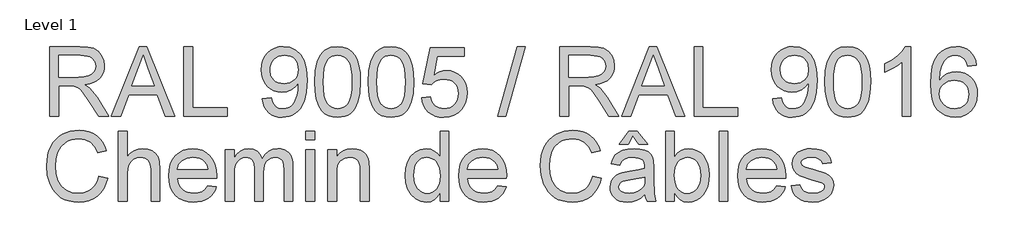
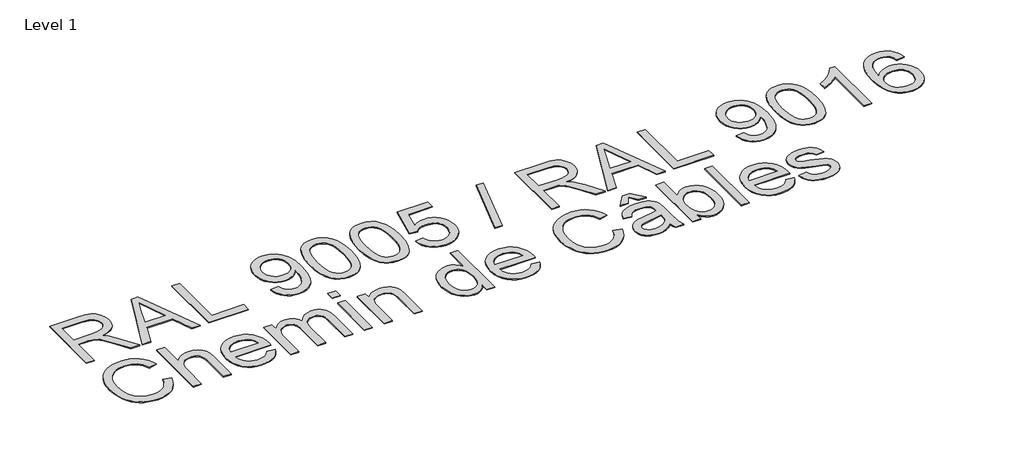
# One storey, part 12 of 12: 1 proxy.
"""IFC4 building model written with IfcOpenShell, lengths in millimetres."""

from ifc_helpers import new_model, si_unit, origin, origin_with_axes, place, context, project, spatial, polyline, outline, extrude, element, save

model = new_model("IFC4")

# Units and contexts
model_context = context("Model", 3, world=origin())
ifc_project = project(units=[si_unit("LENGTHUNIT", "METRE", prefix="MILLI")], contexts=[model_context])

# Site, building, storey
site = spatial("IfcSite", under=ifc_project)
building = spatial("IfcBuilding", under=site)
storey = spatial("IfcBuildingStorey", under=building, Name="Level 1", Elevation=0.0)

# Proxy
placement = place(None, origin())
element("IfcBuildingElementProxy", 1, Name="400mm", ObjectType="400mm", at=placement, inside=storey, context=model_context, shape_type="SweptSolid", body=[
    extrude(outline(polyline([(11111.0571678, -39850.9331128), (11111.0571678, -39449.1078722), (11284.2069602, -39449.1078722), (11330.7440326, -39451.8179363), (11364.6014389, -39459.9481284), (11389.3476344, -39474.9577138), (11408.5510746, -39498.3059577), (11420.8751214, -39527.2582708), (11424.983137, -39559.0800633), (11423.2816828, -39579.7182433), (11418.1773201, -39598.664166), (11409.670049, -39615.9178316), (11397.7598694, -39631.47924), (11382.2934972, -39644.8517505), (11363.1176482, -39655.5387225), (11340.2323224, -39663.5401559), (11313.6375198, -39668.8560507), (11342.1851626, -39690.3403592), (11382.8974368, -39742.0400423), (11449.9010108, -39850.9331128), (11391.5304009, -39850.9331128), (11339.2421067, -39767.6446291), (11301.4728885, -39712.5113808), (11287.432059, -39696.4349376), (11274.9363339, -39686.4653355), (11251.0485297, -39676.9004037), (11221.9122757, -39675.1345701), (11161.2853229, -39675.1345701), (11161.2853229, -39850.9331128), (11111.0571678, -39850.9331128)]), holes=[polyline([(11161.2853229, -39624.906415), (11273.7100606, -39624.906415), (11305.9978371, -39623.1283187), (11331.0506009, -39617.7940298), (11349.9106845, -39608.547929), (11363.6204202, -39595.034397), (11371.9713415, -39578.6881737), (11374.754982, -39560.9439988), (11369.4452185, -39536.4430579), (11353.5159281, -39516.7000575), (11341.3543625, -39509.1032943), (11326.1087195, -39503.6770349), (11286.3652012, -39499.3360273), (11161.2853229, -39499.3360273), (11161.2853229, -39624.906415)])]), origin_with_axes(), (0.0, 0.0, 1.0), 5.0),
    extrude(outline(polyline([(11466.0878186, -39850.9331128), (11626.4843685, -39449.1078722), (11669.2567818, -39449.1078722), (11829.6533317, -39850.9331128), (11776.5802226, -39850.9331128), (11730.5704477, -39725.3627252), (11565.0726008, -39725.3627252), (11519.1609278, -39850.9331128), (11466.0878186, -39850.9331128)]), holes=[polyline([(11583.5157515, -39675.1345701), (11712.2253989, -39675.1345701), (11676.0258105, -39576.3459916), (11647.8705752, -39499.3360273), (11622.8545995, -39567.7130275), (11583.5157515, -39675.1345701)])]), origin_with_axes(), (0.0, 0.0, 1.0), 5.0),
    extrude(outline(polyline([(11883.3150521, -39850.9331128), (11883.3150521, -39449.1078722), (11933.5432072, -39449.1078722), (11933.5432072, -39800.7049578), (12134.4558275, -39800.7049578), (12134.4558275, -39850.9331128), (11883.3150521, -39850.9331128)])), origin_with_axes(), (0.0, 0.0, 1.0), 5.0),
    extrude(outline(polyline([(12335.3684478, -39750.4768027), (12385.5966028, -39744.1982833), (12394.1805161, -39772.7091379), (12408.1600319, -39792.1210445), (12427.1917938, -39803.267869), (12450.9324452, -39806.9834772), (12472.2328127, -39804.5922442), (12491.5956684, -39797.4185453), (12507.6843743, -39786.2471954), (12519.1622926, -39771.8630093), (12535.594355, -39728.2076792), (12541.0390085, -39699.8071892), (12542.853893, -39669.9351712), (12542.5595874, -39660.1249847), (12525.1587691, -39681.3640385), (12502.3868736, -39698.1885084), (12475.8871072, -39709.1513919), (12447.3026762, -39712.8056864), (12423.4424631, -39710.5738689), (12401.5013678, -39703.8784166), (12381.4793902, -39692.7193294), (12363.3765303, -39677.0966074), (12348.376142, -39657.8257222), (12337.6615789, -39635.7221457), (12331.232841, -39610.7858778), (12329.0899284, -39583.0169185), (12331.3370742, -39554.3221229), (12338.0785118, -39528.5703832), (12349.3142411, -39505.7616995), (12365.044262, -39485.8960718), (12384.1587974, -39469.8012345), (12405.5480697, -39458.3049221), (12429.212079, -39451.4071347), (12455.1508254, -39449.1078722), (12492.6134752, -39454.356322), (12526.7161362, -39470.1016714), (12555.2392535, -39495.5591055), (12575.9632726, -39529.9438093), (12588.581625, -39577.4741631), (12592.7877425, -39642.368547), (12588.5938878, -39711.1747429), (12576.0123235, -39764.3582166), (12555.1534144, -39804.3224641), (12541.6613422, -39820.2486888), (12526.127525, -39833.4709808), (12508.8646624, -39843.8575158), (12490.1854541, -39851.2764694), (12448.5780004, -39857.2116322), (12426.0207027, -39855.4611271), (12405.6339088, -39850.2096116), (12387.4176187, -39841.4570858), (12371.3718324, -39829.2035497), (12357.90122, -39813.780097), (12347.4104517, -39795.5178216), (12339.8995277, -39774.4167235), (12335.3684478, -39750.4768027)]), holes=[polyline([(12542.5595874, -39581.8396961), (12537.1394594, -39547.7983488), (12530.3642993, -39533.7207311), (12520.8790752, -39521.6051508), (12509.1497709, -39511.8624093), (12495.6423703, -39504.9033082), (12463.2932802, -39499.3360273), (12445.6839954, -39500.8351464), (12429.7424423, -39505.3325038), (12415.4686208, -39512.8280995), (12402.8625311, -39523.3219334), (12392.5618353, -39536.2008689), (12385.2041954, -39550.8517694), (12380.7896114, -39567.2746348), (12379.3180835, -39585.4694651), (12384.8853643, -39616.5064428), (12391.8444654, -39629.6245016), (12401.5872069, -39641.1422737), (12413.7089186, -39650.5201989), (12427.8049304, -39657.2187169), (12461.9198541, -39662.5775313), (12494.0114268, -39657.2187169), (12519.8490056, -39641.1422737), (12529.7848852, -39629.397641), (12536.881942, -39615.5990005), (12542.5595874, -39581.8396961)])]), origin_with_axes(), (0.0, 0.0, 1.0), 5.0),
    extrude(outline(polyline([(12636.7373782, -39653.2578541), (12640.4284609, -39588.9398186), (12651.5017089, -39537.6448057), (12669.8467578, -39498.5880006), (12681.7048208, -39483.3546203), (12695.3532428, -39470.9845882), (12710.8380091, -39461.413525), (12728.2051049, -39454.5770512), (12768.5862853, -39449.1078722), (12799.5374238, -39452.3452338), (12827.2512008, -39462.0573185), (12850.4277665, -39477.8639815), (12867.7672712, -39499.3850783), (12880.8638702, -39526.4366676), (12891.3117189, -39558.8348087), (12898.154324, -39599.9762785), (12900.4351924, -39653.2578541), (12896.7808979, -39717.2080076), (12885.8180144, -39768.3803931), (12867.5833302, -39807.4739865), (12855.7528584, -39822.753352), (12842.1136334, -39835.1877634), (12826.610473, -39844.823206), (12809.1881948, -39851.705665), (12768.5862853, -39857.2116322), (12740.9215592, -39854.8203993), (12716.3960929, -39847.6467004), (12695.0098862, -39835.6905355), (12676.7629393, -39818.9519047), (12659.2517563, -39788.6936106), (12646.7437685, -39750.9918375), (12639.2389758, -39705.8465853), (12636.7373782, -39653.2578541)]), holes=[polyline([(12686.9655333, -39653.1597522), (12688.4370613, -39696.8242794), (12692.8516452, -39732.1685421), (12700.2092851, -39759.1925403), (12710.509981, -39777.8962741), (12722.9689179, -39790.6219254), (12736.8012809, -39799.7116764), (12752.00707, -39805.165527), (12768.5862853, -39806.9834772), (12785.1655005, -39805.1593956), (12800.3712897, -39799.6871509), (12814.2036527, -39790.5667431), (12826.6625896, -39777.7981722), (12836.9632855, -39759.0637816), (12844.3209254, -39732.0459147), (12848.7355093, -39696.7445716), (12850.2070373, -39653.1597522), (12848.7845602, -39610.6509877), (12844.5171291, -39575.9290587), (12837.4047438, -39548.9939653), (12827.4474045, -39529.8457075), (12815.1969341, -39516.4977224), (12801.2051555, -39506.9634474), (12785.4720689, -39501.2428823), (12767.9976741, -39499.3360273), (12751.504298, -39501.0160218), (12736.5560262, -39506.0560051), (12723.1528589, -39514.4559773), (12711.2947959, -39526.2159384), (12700.6507435, -39547.0625848), (12693.0478489, -39575.1687693), (12688.4861122, -39610.5344917), (12686.9655333, -39653.1597522)])]), origin_with_axes(), (0.0, 0.0, 1.0), 5.0),
    extrude(outline(polyline([(12944.384828, -39653.2578541), (12948.0759107, -39588.9398186), (12959.1491588, -39537.6448057), (12977.4942076, -39498.5880006), (12989.3522706, -39483.3546203), (13003.0006926, -39470.9845882), (13018.4854589, -39461.413525), (13035.8525548, -39454.5770512), (13076.2337351, -39449.1078722), (13107.1848736, -39452.3452338), (13134.8986506, -39462.0573185), (13158.0752163, -39477.8639815), (13175.414721, -39499.3850783), (13188.51132, -39526.4366676), (13198.9591687, -39558.8348087), (13205.8017738, -39599.9762785), (13208.0826422, -39653.2578541), (13204.4283477, -39717.2080076), (13193.4654642, -39768.3803931), (13175.23078, -39807.4739865), (13163.4003082, -39822.753352), (13149.7610832, -39835.1877634), (13134.2579228, -39844.823206), (13116.8356446, -39851.705665), (13076.2337351, -39857.2116322), (13048.5690091, -39854.8203993), (13024.0435427, -39847.6467004), (13002.6573361, -39835.6905355), (12984.4103891, -39818.9519047), (12966.8992061, -39788.6936106), (12954.3912183, -39750.9918375), (12946.8864256, -39705.8465853), (12944.384828, -39653.2578541)]), holes=[polyline([(12994.6129831, -39653.1597522), (12996.0845111, -39696.8242794), (13000.499095, -39732.1685421), (13007.8567349, -39759.1925403), (13018.1574308, -39777.8962741), (13030.6163677, -39790.6219254), (13044.4487307, -39799.7116764), (13059.6545199, -39805.165527), (13076.2337351, -39806.9834772), (13092.8129504, -39805.1593956), (13108.0187395, -39799.6871509), (13121.8511025, -39790.5667431), (13134.3100394, -39777.7981722), (13144.6107353, -39759.0637816), (13151.9683752, -39732.0459147), (13156.3829591, -39696.7445716), (13157.8544871, -39653.1597522), (13156.4320101, -39610.6509877), (13152.1645789, -39575.9290587), (13145.0521937, -39548.9939653), (13135.0948543, -39529.8457075), (13122.8443839, -39516.4977224), (13108.8526054, -39506.9634474), (13093.1195187, -39501.2428823), (13075.6451239, -39499.3360273), (13059.1517478, -39501.0160218), (13044.2034761, -39506.0560051), (13030.8003087, -39514.4559773), (13018.9422457, -39526.2159384), (13008.2981933, -39547.0625848), (13000.6952988, -39575.1687693), (12996.133562, -39610.5344917), (12994.6129831, -39653.1597522)])]), origin_with_axes(), (0.0, 0.0, 1.0), 5.0),
    extrude(outline(polyline([(13252.0322779, -39744.1982833), (13302.260433, -39737.9197639), (13311.4820083, -39768.0738248), (13327.5707142, -39789.6684979), (13350.4529743, -39802.6547323), (13380.0552122, -39806.9834772), (13399.1850759, -39805.4782267), (13416.0585968, -39800.9624752), (13430.6757747, -39793.4362227), (13443.0366098, -39782.8994692), (13452.8651904, -39769.8733809), (13459.8856052, -39754.8791239), (13465.5019369, -39718.9861039), (13460.2412244, -39685.1900113), (13453.6653337, -39671.2718091), (13444.4590868, -39659.3401698), (13432.5918268, -39649.7691065), (13418.0328968, -39642.9326328), (13380.8400271, -39637.4634538), (13356.4739763, -39639.6462203), (13336.7432386, -39646.1945198), (13320.9856265, -39656.2254355), (13308.5389523, -39668.8560507), (13258.3107973, -39662.5775313), (13302.260433, -39455.3863916), (13496.8945339, -39455.3863916), (13496.8945339, -39505.6145467), (13342.8746052, -39505.6145467), (13321.3902967, -39616.2734509), (13339.1160775, -39603.5692593), (13357.271054, -39594.4948367), (13375.8552261, -39589.0501832), (13394.8685939, -39587.2352987), (13419.3296809, -39589.4855102), (13441.7980737, -39596.2361448), (13462.2737724, -39607.4872025), (13480.756777, -39623.2386833), (13496.0576023, -39642.5279626), (13506.9867633, -39664.3924158), (13513.5442598, -39688.832043), (13515.730092, -39715.8468442), (13513.7619233, -39741.868364), (13507.8574173, -39766.0749993), (13498.016574, -39788.4667501), (13484.2393932, -39809.0436163), (13463.3682214, -39830.1171233), (13439.0144333, -39845.1696282), (13411.178029, -39854.2011312), (13379.8590085, -39857.2116322), (13353.9386562, -39855.2771861), (13330.5260329, -39849.4738476), (13309.6211385, -39839.8016168), (13291.2239731, -39826.2604937), (13275.9170164, -39809.5249286), (13264.2827483, -39790.2693718), (13256.3211688, -39768.4938234), (13252.0322779, -39744.1982833)])), origin_with_axes(), (0.0, 0.0, 1.0), 5.0),
    extrude(outline(polyline([(13691.5286348, -39850.9331128), (13804.5419837, -39449.1078722), (13849.8650455, -39449.1078722), (13736.8516966, -39850.9331128), (13691.5286348, -39850.9331128)])), origin_with_axes(), (0.0, 0.0, 1.0), 5.0),
    extrude(outline(polyline([(14049.4042397, -39850.9331128), (14049.4042397, -39449.1078722), (14222.5540321, -39449.1078722), (14269.0911045, -39451.8179363), (14302.9485108, -39459.9481284), (14327.6947063, -39474.9577138), (14346.8981465, -39498.3059577), (14359.2221933, -39527.2582708), (14363.3302089, -39559.0800633), (14361.6287547, -39579.7182433), (14356.524392, -39598.664166), (14348.0171209, -39615.9178316), (14336.1069413, -39631.47924), (14320.640569, -39644.8517505), (14301.46472, -39655.5387225), (14278.5793943, -39663.5401559), (14251.9845917, -39668.8560507), (14280.5322345, -39690.3403592), (14321.2445087, -39742.0400423), (14388.2480827, -39850.9331128), (14329.8774728, -39850.9331128), (14277.5891786, -39767.6446291), (14239.8199604, -39712.5113808), (14225.7791309, -39696.4349376), (14213.2834058, -39686.4653355), (14189.3956016, -39676.9004037), (14160.2593476, -39675.1345701), (14099.6323948, -39675.1345701), (14099.6323948, -39850.9331128), (14049.4042397, -39850.9331128)]), holes=[polyline([(14099.6323948, -39624.906415), (14212.0571325, -39624.906415), (14244.3449089, -39623.1283187), (14269.3976728, -39617.7940298), (14288.2577564, -39608.547929), (14301.9674921, -39595.034397), (14310.3184134, -39578.6881737), (14313.1020538, -39560.9439988), (14307.7922904, -39536.4430579), (14291.863, -39516.7000575), (14279.7014344, -39509.1032943), (14264.4557913, -39503.6770349), (14224.7122731, -39499.3360273), (14099.6323948, -39499.3360273), (14099.6323948, -39624.906415)])]), origin_with_axes(), (0.0, 0.0, 1.0), 5.0),
    extrude(outline(polyline([(14404.4348905, -39850.9331128), (14564.8314404, -39449.1078722), (14607.6038537, -39449.1078722), (14768.0004036, -39850.9331128), (14714.9272944, -39850.9331128), (14668.9175196, -39725.3627252), (14503.4196727, -39725.3627252), (14457.5079997, -39850.9331128), (14404.4348905, -39850.9331128)]), holes=[polyline([(14521.8628234, -39675.1345701), (14650.5724707, -39675.1345701), (14614.3728824, -39576.3459916), (14586.217647, -39499.3360273), (14561.2016714, -39567.7130275), (14521.8628234, -39675.1345701)])]), origin_with_axes(), (0.0, 0.0, 1.0), 5.0),
    extrude(outline(polyline([(14821.662124, -39850.9331128), (14821.662124, -39449.1078722), (14871.890279, -39449.1078722), (14871.890279, -39800.7049578), (15072.8028993, -39800.7049578), (15072.8028993, -39850.9331128), (14821.662124, -39850.9331128)])), origin_with_axes(), (0.0, 0.0, 1.0), 5.0),
    extrude(outline(polyline([(15273.7155196, -39750.4768027), (15323.9436747, -39744.1982833), (15332.5275879, -39772.7091379), (15346.5071037, -39792.1210445), (15365.5388656, -39803.267869), (15389.2795171, -39806.9834772), (15410.5798846, -39804.5922442), (15429.9427403, -39797.4185453), (15446.0314462, -39786.2471954), (15457.5093644, -39771.8630093), (15473.9414269, -39728.2076792), (15479.3860804, -39699.8071892), (15481.2009649, -39669.9351712), (15480.9066593, -39660.1249847), (15463.5058409, -39681.3640385), (15440.7339454, -39698.1885084), (15414.2341791, -39709.1513919), (15385.649748, -39712.8056864), (15361.789535, -39710.5738689), (15339.8484396, -39703.8784166), (15319.826462, -39692.7193294), (15301.7236022, -39677.0966074), (15286.7232138, -39657.8257222), (15276.0086507, -39635.7221457), (15269.5799129, -39610.7858778), (15267.4370003, -39583.0169185), (15269.6841461, -39554.3221229), (15276.4255837, -39528.5703832), (15287.6613129, -39505.7616995), (15303.3913339, -39485.8960718), (15322.5058692, -39469.8012345), (15343.8951416, -39458.3049221), (15367.5591509, -39451.4071347), (15393.4978973, -39449.1078722), (15430.9605471, -39454.356322), (15465.0632081, -39470.1016714), (15493.5863254, -39495.5591055), (15514.3103445, -39529.9438093), (15526.9286969, -39577.4741631), (15531.1348144, -39642.368547), (15526.9409596, -39711.1747429), (15514.3593954, -39764.3582166), (15493.5004863, -39804.3224641), (15480.0084141, -39820.2486888), (15464.4745969, -39833.4709808), (15447.2117342, -39843.8575158), (15428.5325259, -39851.2764694), (15386.9250723, -39857.2116322), (15364.3677746, -39855.4611271), (15343.9809807, -39850.2096116), (15325.7646906, -39841.4570858), (15309.7189042, -39829.2035497), (15296.2482918, -39813.780097), (15285.7575236, -39795.5178216), (15278.2465995, -39774.4167235), (15273.7155196, -39750.4768027)]), holes=[polyline([(15480.9066593, -39581.8396961), (15475.4865313, -39547.7983488), (15468.7113712, -39533.7207311), (15459.2261471, -39521.6051508), (15447.4968428, -39511.8624093), (15433.9894422, -39504.9033082), (15401.6403521, -39499.3360273), (15384.0310673, -39500.8351464), (15368.0895141, -39505.3325038), (15353.8156927, -39512.8280995), (15341.209603, -39523.3219334), (15330.9089072, -39536.2008689), (15323.5512672, -39550.8517694), (15319.1366833, -39567.2746348), (15317.6651553, -39585.4694651), (15323.2324362, -39616.5064428), (15330.1915373, -39629.6245016), (15339.9342788, -39641.1422737), (15352.0559905, -39650.5201989), (15366.1520023, -39657.2187169), (15400.266926, -39662.5775313), (15432.3584987, -39657.2187169), (15458.1960775, -39641.1422737), (15468.131957, -39629.397641), (15475.2290139, -39615.5990005), (15480.9066593, -39581.8396961)])]), origin_with_axes(), (0.0, 0.0, 1.0), 5.0),
    extrude(outline(polyline([(15575.0844501, -39653.2578541), (15578.7755328, -39588.9398186), (15589.8487808, -39537.6448057), (15608.1938297, -39498.5880006), (15620.0518926, -39483.3546203), (15633.7003146, -39470.9845882), (15649.185081, -39461.413525), (15666.5521768, -39454.5770512), (15706.9333572, -39449.1078722), (15737.8844957, -39452.3452338), (15765.5982727, -39462.0573185), (15788.7748383, -39477.8639815), (15806.1143431, -39499.3850783), (15819.2109421, -39526.4366676), (15829.6587907, -39558.8348087), (15836.5013959, -39599.9762785), (15838.7822642, -39653.2578541), (15835.1279697, -39717.2080076), (15824.1650863, -39768.3803931), (15805.9304021, -39807.4739865), (15794.0999302, -39822.753352), (15780.4607053, -39835.1877634), (15764.9575448, -39844.823206), (15747.5352667, -39851.705665), (15706.9333572, -39857.2116322), (15679.2686311, -39854.8203993), (15654.7431648, -39847.6467004), (15633.3569581, -39835.6905355), (15615.1100112, -39818.9519047), (15597.5988282, -39788.6936106), (15585.0908404, -39750.9918375), (15577.5860477, -39705.8465853), (15575.0844501, -39653.2578541)]), holes=[polyline([(15625.3126052, -39653.1597522), (15626.7841331, -39696.8242794), (15631.1987171, -39732.1685421), (15638.556357, -39759.1925403), (15648.8570529, -39777.8962741), (15661.3159898, -39790.6219254), (15675.1483528, -39799.7116764), (15690.3541419, -39805.165527), (15706.9333572, -39806.9834772), (15723.5125724, -39805.1593956), (15738.7183615, -39799.6871509), (15752.5507246, -39790.5667431), (15765.0096615, -39777.7981722), (15775.3103573, -39759.0637816), (15782.6679972, -39732.0459147), (15787.0825812, -39696.7445716), (15788.5541092, -39653.1597522), (15787.1316321, -39610.6509877), (15782.864201, -39575.9290587), (15775.7518157, -39548.9939653), (15765.7944764, -39529.8457075), (15753.5440059, -39516.4977224), (15739.5522274, -39506.9634474), (15723.8191407, -39501.2428823), (15706.344746, -39499.3360273), (15689.8513698, -39501.0160218), (15674.9030981, -39506.0560051), (15661.4999308, -39514.4559773), (15649.6418678, -39526.2159384), (15638.9978154, -39547.0625848), (15631.3949208, -39575.1687693), (15626.8331841, -39610.5344917), (15625.3126052, -39653.1597522)])]), origin_with_axes(), (0.0, 0.0, 1.0), 5.0),
    extrude(outline(polyline([(16071.0874814, -39850.9331128), (16020.8593264, -39850.9331128), (16020.8593264, -39537.7919585), (15999.8900526, -39554.7513185), (15973.2799217, -39571.686153), (15920.4030162, -39597.0454852), (15920.4030162, -39549.5641824), (15959.8522288, -39528.1043993), (15994.0284662, -39502.5733889), (16020.969691, -39475.4236976), (16038.7138659, -39449.1078722), (16071.0874814, -39449.1078722), (16071.0874814, -39850.9331128)])), origin_with_axes(), (0.0, 0.0, 1.0), 5.0),
    extrude(outline(polyline([(16447.7986445, -39555.8427018), (16397.5704894, -39562.1212212), (16389.4770855, -39537.2278728), (16378.5387276, -39520.2317246), (16355.7545693, -39504.5599516), (16328.2124706, -39499.3360273), (16304.8642267, -39502.3771851), (16282.8894088, -39511.5006586), (16264.0170625, -39530.7163615), (16248.6028069, -39557.167077), (16238.1917464, -39594.5806759), (16234.3289854, -39646.6850291), (16254.476656, -39623.1773696), (16278.6219777, -39606.6104171), (16305.4160496, -39596.7879678), (16333.5099713, -39593.5138181), (16357.6430302, -39595.7517669), (16379.9121537, -39602.4656133), (16400.3173417, -39613.6553573), (16418.8585942, -39629.3209989), (16434.2667185, -39648.5305705), (16445.2725215, -39670.3521041), (16451.8760033, -39694.7856), (16454.0771639, -39721.831058), (16449.9323601, -39757.7976544), (16437.4979486, -39791.1400259), (16417.8039992, -39819.4178886), (16391.8805812, -39840.1909586), (16360.9049172, -39852.9564638), (16326.0542296, -39857.2116322), (16296.1117008, -39854.3912036), (16269.0693085, -39845.9299177), (16244.9270526, -39831.8277746), (16223.684933, -39812.0847742), (16206.3668881, -39785.8670506), (16193.996856, -39752.3407381), (16186.5748368, -39711.5058367), (16184.1008304, -39663.3623462), (16186.8476826, -39609.3879262), (16195.0882393, -39563.322969), (16208.8225004, -39525.1674747), (16228.0504661, -39494.9214434), (16248.8909811, -39474.878006), (16273.0546968, -39460.561265), (16300.5416132, -39451.9712204), (16331.3517303, -39449.1078722), (16354.4853764, -39450.8798372), (16375.4239933, -39456.195732), (16394.167581, -39465.0555567), (16410.7161394, -39477.4593113), (16424.6220788, -39492.9900629), (16435.4378095, -39511.2308785), (16443.1633314, -39532.1817581), (16447.7986445, -39555.8427018)]), holes=[polyline([(16234.3289854, -39721.0462431), (16237.2352532, -39743.3031038), (16245.9540565, -39764.5544204), (16259.4921139, -39782.8258928), (16276.8561441, -39796.143221), (16297.8131551, -39804.2734131), (16322.130155, -39806.9834772), (16355.2763227, -39801.3671454), (16369.1914592, -39794.3467306), (16381.3346307, -39784.51815), (16391.1846711, -39772.2799423), (16398.2204143, -39758.0306463), (16403.8490088, -39723.4987897), (16398.2939907, -39690.3526219), (16391.350218, -39676.7317911), (16381.6289363, -39665.0791289), (16369.4489766, -39655.7441233), (16355.1291699, -39649.0762621), (16320.0700158, -39643.7419732), (16286.972899, -39649.0762621), (16259.2959102, -39665.0791289), (16248.3728806, -39676.5785069), (16240.5707166, -39689.7394853), (16235.8894182, -39704.562064), (16234.3289854, -39721.0462431)])]), origin_with_axes(), (0.0, 0.0, 1.0), 5.0),
    extrude(outline(polyline([(11393.5905401, -40195.9960682), (11443.8186952, -40208.9455145), (11433.8797499, -40240.1817615), (11420.6421295, -40267.4755399), (11404.1058338, -40290.8268495), (11384.2708629, -40310.2356905), (11361.5848065, -40325.4935962), (11336.4952545, -40336.3921003), (11309.0022067, -40342.9312028), (11279.1056632, -40345.1109036), (11248.4764214, -40343.461566), (11220.8454179, -40338.5135532), (11196.2126526, -40330.2668651), (11174.5781256, -40318.7215018), (11155.6444656, -40304.0491416), (11139.1143013, -40286.4214626), (11124.9876327, -40265.838465), (11113.2644598, -40242.3001487), (11097.4823222, -40190.4287874), (11092.2216097, -40134.8786061), (11098.1690352, -40076.287267), (11105.6033172, -40049.9898357), (11116.011312, -40025.6912299), (11129.1600277, -40003.7930542), (11144.8164722, -39984.6969129), (11162.9806457, -39968.4028062), (11183.6525482, -39954.9107341), (11206.1301381, -39944.331061), (11229.711374, -39936.7741517), (11280.1847837, -39930.7286242), (11308.9133019, -39932.6845302), (11335.2567184, -39938.552248), (11359.2150333, -39948.3317777), (11380.7882467, -39962.0231193), (11399.6207391, -39979.2645221), (11415.3568915, -39999.6942356), (11427.9967037, -40023.3122597), (11437.5401758, -40050.1185944), (11387.3120207, -40062.087022), (11369.8989396, -40025.458238), (11346.1092373, -40000.3318977), (11315.6486081, -39985.8005589), (11278.2227464, -39980.9567793), (11235.0824511, -39986.3278564), (11216.4001771, -39993.0417029), (11199.6431523, -40002.4410878), (11172.7509784, -40027.6042163), (11155.2520582, -40060.1249847), (11145.6503381, -40096.8886587), (11142.4497647, -40134.7805042), (11146.2389493, -40181.1826866), (11157.6065029, -40221.3063495), (11176.9816213, -40253.6186514), (11204.7935002, -40276.5867506), (11238.1358717, -40290.3087491), (11274.1024681, -40294.8827485), (11295.9393302, -40293.3253814), (11316.0287528, -40288.6532801), (11334.3707359, -40280.8664445), (11350.9652796, -40269.9648747), (11365.4199763, -40255.9976216), (11377.3424187, -40239.0137362), (11386.7326066, -40219.0132184), (11393.5905401, -40195.9960682)])), origin_with_axes(), (0.0, 0.0, 1.0), 5.0),
    extrude(outline(polyline([(11506.603889, -40338.8323842), (11506.603889, -39937.0071436), (11556.8320441, -39937.0071436), (11556.8320441, -40084.7485529), (11575.2813262, -40064.061322), (11595.9992139, -40049.2847286), (11618.9857072, -40040.4187725), (11644.2408062, -40037.4634538), (11674.578808, -40040.6885526), (11700.6493787, -40050.3638491), (11721.1771941, -40065.7290537), (11734.8869298, -40086.0238771), (11742.6124517, -40113.9093324), (11745.1876256, -40152.0464325), (11745.1876256, -40338.8323842), (11694.9594706, -40338.8323842), (11694.9594706, -40157.2458314), (11690.9618195, -40125.8041835), (11678.9688665, -40104.2708241), (11659.642799, -40091.8364127), (11633.6458047, -40087.6916088), (11612.4190136, -40090.487512), (11592.4920722, -40098.8752215), (11575.9864333, -40112.0453969), (11565.0235499, -40129.1886979), (11558.8799205, -40151.9728561), (11556.8320441, -40182.0656033), (11556.8320441, -40338.8323842), (11506.603889, -40338.8323842)])), origin_with_axes(), (0.0, 0.0, 1.0), 5.0),
    extrude(outline(polyline([(12020.8538674, -40250.9331128), (12070.1010038, -40257.2116322), (12062.5502258, -40276.9362385), (12052.3568289, -40294.3186628), (12039.5208129, -40309.358905), (12024.042178, -40322.0569652), (12006.0803396, -40332.1430633), (11985.7947132, -40339.347419), (11938.2520967, -40345.1109036), (11907.0863603, -40342.6246345), (11879.3174011, -40335.165827), (11854.9452189, -40322.7344812), (11833.9698138, -40305.3305972), (11817.1024243, -40283.4385528), (11805.054289, -40257.542726), (11797.8254078, -40227.6431169), (11795.4157807, -40193.7397253), (11797.8499332, -40158.6867026), (11805.1523908, -40127.7907463), (11817.3231535, -40101.0518566), (11834.3622213, -40078.4700335), (11855.2824441, -40060.5296549), (11879.0966719, -40047.7150987), (11905.8049047, -40040.026365), (11935.4071426, -40037.4634538), (11964.055953, -40040.0202336), (11989.9640425, -40047.6905732), (12013.1314111, -40060.4744726), (12033.5580589, -40078.3719316), (12050.2323103, -40100.9047038), (12062.1424899, -40127.5945426), (12069.2885977, -40158.4414479), (12071.6706336, -40193.4454197), (12071.376328, -40206.9834772), (11845.6439358, -40206.9834772), (11848.5532692, -40227.0269145), (11854.3382136, -40244.5810171), (11862.9987689, -40259.6457848), (11874.5349351, -40272.2212176), (11888.3090502, -40282.1356374), (11903.6834519, -40289.2173658), (11939.2331154, -40294.8827485), (11965.9658737, -40292.2585236), (11988.4802518, -40284.3858489), (12006.7762497, -40270.7742151), (12020.8538674, -40250.9331128)]), holes=[polyline([(11845.6439358, -40156.7553221), (12021.4424785, -40156.7553221), (12014.6489244, -40130.2187675), (12001.3315961, -40111.2360565), (11987.6341232, -40100.9353607), (11972.0481893, -40093.5777208), (11954.5737946, -40089.1631368), (11935.2109389, -40087.6916088), (11901.3535326, -40092.3882357), (11873.3577128, -40106.4781161), (11853.8967552, -40128.4406712), (11845.6439358, -40156.7553221)])]), origin_with_axes(), (0.0, 0.0, 1.0), 5.0),
    extrude(outline(polyline([(12121.8987887, -40338.8323842), (12121.8987887, -40043.7419732), (12172.1269438, -40043.7419732), (12172.1269438, -40092.3023965), (12187.234631, -40069.9964849), (12206.6588004, -40052.5220901), (12229.7372642, -40041.2281129), (12255.8078349, -40037.4634538), (12283.7423411, -40041.3016893), (12306.1340919, -40052.8163957), (12322.8604599, -40071.2472837), (12333.7988179, -40095.8340637), (12352.1070785, -40070.2969218), (12372.9905131, -40052.0561062), (12396.4491217, -40041.1116169), (12422.4829042, -40037.4634538), (12442.5907209, -40038.980967), (12460.2398597, -40043.5335067), (12475.4303204, -40051.1210728), (12488.1621031, -40061.7436655), (12498.2267413, -40075.5239119), (12505.4157687, -40092.5844394), (12509.7291851, -40112.925248), (12511.1669905, -40136.5463378), (12511.1669905, -40338.8323842), (12460.9388354, -40338.8323842), (12460.9388354, -40158.1287482), (12459.7738758, -40133.0759843), (12456.2789968, -40116.1902007), (12449.7306973, -40104.6264434), (12439.405476, -40095.5397581), (12426.124936, -40089.6536462), (12410.7106804, -40087.6916088), (12383.4996755, -40092.7193294), (12361.3163912, -40107.8024913), (12352.7110181, -40119.37238), (12346.5643231, -40133.9711638), (12341.6469671, -40172.2554168), (12341.6469671, -40338.8323842), (12291.4188121, -40338.8323842), (12291.4188121, -40152.5369419), (12288.5125443, -40124.1364518), (12279.793741, -40103.8784166), (12264.4530618, -40091.7383108), (12241.6811663, -40087.6916088), (12222.3305734, -40090.3894101), (12204.5005593, -40098.482814), (12189.7852795, -40111.7756168), (12179.7788893, -40130.0716147), (12174.0399301, -40155.4554724), (12172.1269438, -40190.0118544), (12172.1269438, -40338.8323842), (12121.8987887, -40338.8323842)])), origin_with_axes(), (0.0, 0.0, 1.0), 5.0),
    extrude(outline(polyline([(12586.5092231, -40338.8323842), (12586.5092231, -40043.7419732), (12636.7373782, -40043.7419732), (12636.7373782, -40338.8323842), (12586.5092231, -40338.8323842)])), origin_with_axes(), (0.0, 0.0, 1.0), 5.0),
    extrude(outline(polyline([(12586.5092231, -39987.2352987), (12586.5092231, -39937.0071436), (12636.7373782, -39937.0071436), (12636.7373782, -39987.2352987), (12586.5092231, -39987.2352987)])), origin_with_axes(), (0.0, 0.0, 1.0), 5.0),
    extrude(outline(polyline([(12712.0796108, -40338.8323842), (12712.0796108, -40043.7419732), (12762.3077659, -40043.7419732), (12762.3077659, -40084.9447566), (12779.7576352, -40064.1716866), (12800.7146462, -40049.3337795), (12825.1787989, -40040.4310352), (12853.1500932, -40037.4634538), (12877.9085515, -40039.8546867), (12900.5823451, -40047.0283856), (12919.4914797, -40058.089371), (12932.9559607, -40072.1424632), (12942.0916969, -40089.1508741), (12948.0145971, -40109.0778155), (12950.6633474, -40157.6382389), (12950.6633474, -40338.8323842), (12900.4351924, -40338.8323842), (12900.4351924, -40164.4072676), (12898.9881898, -40138.4347987), (12894.6471823, -40119.9671226), (12886.6396175, -40106.7356335), (12874.1929434, -40096.4717258), (12858.2391275, -40089.8866381), (12839.7101377, -40087.6916088), (12810.2918408, -40092.6212276), (12785.2145515, -40107.4100838), (12775.1928328, -40119.4827446), (12768.0344623, -40135.9822521), (12763.73944, -40156.9086062), (12762.3077659, -40182.2618071), (12762.3077659, -40338.8323842), (12712.0796108, -40338.8323842)])), origin_with_axes(), (0.0, 0.0, 1.0), 5.0),
    extrude(outline(polyline([(13358.7671074, -40338.8323842), (13358.7671074, -40291.4491832), (13343.7391279, -40314.9261859), (13325.5351005, -40331.6954735), (13304.1550252, -40341.7570461), (13279.598902, -40345.1109036), (13247.1271846, -40340.2548613), (13217.4023194, -40325.6867343), (13192.2391909, -40302.4243294), (13173.4526837, -40271.4854536), (13161.7540363, -40234.1209057), (13157.8544871, -40191.5814843), (13161.4474679, -40149.5693604), (13172.2264104, -40111.628464), (13190.1790518, -40079.917036), (13215.2931293, -40056.5933175), (13245.6679194, -40042.2459197), (13279.4026983, -40037.4634538), (13303.9772156, -40040.8847563), (13325.7067788, -40051.148664), (13344.125404, -40066.8817507), (13358.7671074, -40086.7105902), (13358.7671074, -39937.0071436), (13408.9952625, -39937.0071436), (13408.9952625, -40338.8323842), (13358.7671074, -40338.8323842)]), holes=[polyline([(13208.0826422, -40191.3852806), (13209.4989879, -40215.7421343), (13213.7480249, -40236.818707), (13220.8297533, -40254.6149985), (13230.7441731, -40269.1310089), (13255.4413177, -40288.4448136), (13269.3166003, -40293.2732648), (13284.2096897, -40294.8827485), (13299.1732899, -40293.3468412), (13312.965799, -40288.7391192), (13337.0375442, -40270.3082313), (13346.5442281, -40256.3992262), (13353.3347166, -40239.2467281), (13358.7671074, -40195.2112533), (13353.2366147, -40147.0677629), (13346.3234989, -40128.5326417), (13336.6451368, -40113.6886032), (13324.9434236, -40102.3149182), (13311.9602549, -40094.1908574), (13297.6956305, -40089.316421), (13282.1495505, -40087.6916088), (13266.9621555, -40089.2520416), (13253.0868729, -40093.93334), (13240.5237028, -40101.735504), (13229.2726451, -40112.6585336), (13220.0020188, -40126.941552), (13213.3801429, -40144.8236827), (13208.0826422, -40191.3852806)])]), origin_with_axes(), (0.0, 0.0, 1.0), 5.0),
    extrude(outline(polyline([(13690.9400236, -40250.9331128), (13740.18716, -40257.2116322), (13732.6363821, -40276.9362385), (13722.4429851, -40294.3186628), (13709.6069692, -40309.358905), (13694.1283342, -40322.0569652), (13676.1664958, -40332.1430633), (13655.8808694, -40339.347419), (13608.3382529, -40345.1109036), (13577.1725166, -40342.6246345), (13549.4035573, -40335.165827), (13525.0313751, -40322.7344812), (13504.05597, -40305.3305972), (13487.1885806, -40283.4385528), (13475.1404452, -40257.542726), (13467.911564, -40227.6431169), (13465.5019369, -40193.7397253), (13467.9360895, -40158.6867026), (13475.2385471, -40127.7907463), (13487.4093098, -40101.0518566), (13504.4483775, -40078.4700335), (13525.3686003, -40060.5296549), (13549.1828281, -40047.7150987), (13575.891061, -40040.026365), (13605.4932988, -40037.4634538), (13634.1421092, -40040.0202336), (13660.0501987, -40047.6905732), (13683.2175674, -40060.4744726), (13703.6442152, -40078.3719316), (13720.3184666, -40100.9047038), (13732.2286462, -40127.5945426), (13739.3747539, -40158.4414479), (13741.7567899, -40193.4454197), (13741.4624843, -40206.9834772), (13515.730092, -40206.9834772), (13518.6394255, -40227.0269145), (13524.4243698, -40244.5810171), (13533.0849251, -40259.6457848), (13544.6210914, -40272.2212176), (13558.3952064, -40282.1356374), (13573.7696081, -40289.2173658), (13609.3192716, -40294.8827485), (13636.0520299, -40292.2585236), (13658.566408, -40284.3858489), (13676.8624059, -40270.7742151), (13690.9400236, -40250.9331128)]), holes=[polyline([(13515.730092, -40156.7553221), (13691.5286348, -40156.7553221), (13684.7350806, -40130.2187675), (13671.4177524, -40111.2360565), (13657.7202794, -40100.9353607), (13642.1343456, -40093.5777208), (13624.6599508, -40089.1631368), (13605.2970951, -40087.6916088), (13571.4396888, -40092.3882357), (13543.443869, -40106.4781161), (13523.9829114, -40128.4406712), (13515.730092, -40156.7553221)])]), origin_with_axes(), (0.0, 0.0, 1.0), 5.0),
    extrude(outline(polyline([(14237.7598212, -40195.9960682), (14287.9879763, -40208.9455145), (14278.0490311, -40240.1817615), (14264.8114106, -40267.4755399), (14248.2751149, -40290.8268495), (14228.440144, -40310.2356905), (14205.7540876, -40325.4935962), (14180.6645356, -40336.3921003), (14153.1714878, -40342.9312028), (14123.2749443, -40345.1109036), (14092.6457025, -40343.461566), (14065.014699, -40338.5135532), (14040.3819338, -40330.2668651), (14018.7474068, -40318.7215018), (13999.8137467, -40304.0491416), (13983.2835824, -40286.4214626), (13969.1569138, -40265.838465), (13957.4337409, -40242.3001487), (13941.6516033, -40190.4287874), (13936.3908908, -40134.8786061), (13942.3383164, -40076.287267), (13949.7725983, -40049.9898357), (13960.1805931, -40025.6912299), (13973.3293088, -40003.7930542), (13988.9857533, -39984.6969129), (14007.1499269, -39968.4028062), (14027.8218293, -39954.9107341), (14050.2994192, -39944.331061), (14073.8806551, -39936.7741517), (14124.3540648, -39930.7286242), (14153.082583, -39932.6845302), (14179.4259995, -39938.552248), (14203.3843145, -39948.3317777), (14224.9575278, -39962.0231193), (14243.7900203, -39979.2645221), (14259.5261726, -39999.6942356), (14272.1659848, -40023.3122597), (14281.7094569, -40050.1185944), (14231.4813018, -40062.087022), (14214.0682207, -40025.458238), (14190.2785184, -40000.3318977), (14159.8178892, -39985.8005589), (14122.3920275, -39980.9567793), (14079.2517322, -39986.3278564), (14060.5694582, -39993.0417029), (14043.8124334, -40002.4410878), (14016.9202595, -40027.6042163), (13999.4213393, -40060.1249847), (13989.8196192, -40096.8886587), (13986.6190458, -40134.7805042), (13990.4082304, -40181.1826866), (14001.775784, -40221.3063495), (14021.1509025, -40253.6186514), (14048.9627813, -40276.5867506), (14082.3051528, -40290.3087491), (14118.2717492, -40294.8827485), (14140.1086113, -40293.3253814), (14160.1980339, -40288.6532801), (14178.540017, -40280.8664445), (14195.1345607, -40269.9648747), (14209.5892574, -40255.9976216), (14221.5116998, -40239.0137362), (14230.9018877, -40219.0132184), (14237.7598212, -40195.9960682)])), origin_with_axes(), (0.0, 0.0, 1.0), 5.0),
    extrude(outline(polyline([(14470.0650384, -39962.1212212), (14441.8117012, -40012.3493762), (14391.5835461, -40012.3493762), (14444.9509609, -39937.0071436), (14495.179116, -39937.0071436), (14554.8250501, -40012.3493762), (14504.5968951, -40012.3493762), (14470.0650384, -39962.1212212)])), origin_with_axes(), (0.0, 0.0, 1.0), 5.0),
    extrude(outline(polyline([(14539.1287517, -40301.1612679), (14515.1305828, -40321.7381342), (14490.4211755, -40335.2026152), (14464.4364439, -40342.6338315), (14436.6123023, -40345.1109036), (14414.2481427, -40343.6209815), (14394.6369667, -40339.1512153), (14377.7787743, -40331.7016049), (14363.6735654, -40321.2721503), (14352.535938, -40308.5250392), (14344.5804899, -40294.1224591), (14339.807221, -40278.06441), (14338.2161314, -40260.3508919), (14340.6196271, -40239.528771), (14347.8301142, -40220.6196364), (14358.9524132, -40204.4328287), (14373.0913445, -40191.777688), (14389.707348, -40182.2127561), (14408.2608632, -40175.2965746), (14451.7199896, -40167.742731), (14503.0763161, -40159.7964799), (14538.8344461, -40150.4768027), (14539.1287517, -40139.29319), (14535.6706609, -40116.8769138), (14525.2963886, -40102.2106849), (14502.0952975, -40091.3213779), (14469.7707328, -40087.6916088), (14439.8496639, -40090.1073673), (14418.9539666, -40097.3546426), (14404.7046706, -40110.7578099), (14394.7228058, -40131.6412445), (14344.4946508, -40125.3627252), (14353.213454, -40097.8942028), (14366.2242139, -40076.3117925), (14384.740941, -40059.8061536), (14409.9776459, -40047.5679459), (14440.8429453, -40039.9895768), (14476.245456, -40037.4634538), (14510.2009641, -40039.6952712), (14537.1176634, -40046.3907235), (14557.4124868, -40056.4584275), (14571.5023672, -40068.8069998), (14580.8465699, -40084.0741026), (14586.9043601, -40102.897398), (14589.3569067, -40146.8470337), (14589.3569067, -40209.3379219), (14591.9075552, -40296.5995312), (14601.9139455, -40338.8323842), (14551.6857904, -40338.8323842), (14543.6414375, -40321.3702522), (14539.1287517, -40301.1612679)]), holes=[polyline([(14539.1287517, -40200.7049578), (14505.38171, -40209.0681418), (14458.0966109, -40216.1069506), (14414.8827392, -40224.2494055), (14403.6378128, -40229.8166863), (14395.311417, -40237.4931573), (14390.1610691, -40246.6902072), (14388.4442864, -40256.8192248), (14392.1844201, -40271.7552338), (14403.4048209, -40283.9934415), (14421.8602343, -40292.1604218), (14447.3054057, -40294.8827485), (14474.2834187, -40291.8783789), (14498.1221719, -40282.86527), (14517.4482394, -40269.58473), (14530.888195, -40253.7780669), (14536.8478833, -40237.4931573), (14538.8344461, -40214.9297282), (14539.1287517, -40200.7049578)])]), origin_with_axes(), (0.0, 0.0, 1.0), 5.0),
    extrude(outline(polyline([(14708.648775, -40338.8323842), (14658.42062, -40338.8323842), (14658.42062, -39937.0071436), (14708.648775, -39937.0071436), (14708.648775, -40086.0238771), (14725.1666766, -40064.7786919), (14743.8182938, -40049.6035596), (14764.6036265, -40040.4984802), (14787.5226748, -40037.4634538), (14813.3970418, -40040.1980433), (14837.8489318, -40048.4018118), (14859.4803931, -40061.5597245), (14876.8934742, -40079.1567466), (14890.5418962, -40101.0211998), (14900.8793803, -40126.9814059), (14907.3908916, -40155.9582444), (14909.5613953, -40186.8725947), (14907.3142495, -40222.5448855), (14900.5728119, -40253.9252197), (14889.3370827, -40281.0135973), (14873.6070617, -40303.8100183), (14854.7255183, -40321.8791556), (14834.0352217, -40334.7856823), (14811.536172, -40342.5295983), (14787.2283692, -40345.1109036), (14763.5551628, -40341.7815715), (14742.567495, -40331.7935754), (14724.2653657, -40315.1469151), (14708.648775, -40291.8415907), (14708.648775, -40338.8323842)]), holes=[polyline([(14708.648775, -40189.2270395), (14712.0823403, -40231.116536), (14722.3830362, -40259.4679751), (14734.5537989, -40274.9619385), (14748.6988616, -40286.0290552), (14764.8182243, -40292.6693252), (14782.9118871, -40294.8827485), (14797.9337353, -40293.251805), (14811.9009884, -40288.3589745), (14824.8136464, -40280.2042569), (14836.6717094, -40268.7876523), (14846.5861291, -40254.1398176), (14853.6678575, -40236.2914094), (14857.9168946, -40215.2424279), (14859.3332403, -40190.9928731), (14853.9008495, -40145.0321492), (14847.110361, -40127.2389233), (14837.6036771, -40112.9037883), (14826.1717441, -40101.8734598), (14813.6055083, -40093.9946537), (14799.9049696, -40089.2673701), (14785.0701282, -40087.6916088), (14770.04828, -40089.3225524), (14756.081027, -40094.2153829), (14743.1683689, -40102.3701005), (14731.3103059, -40113.786705), (14721.3958862, -40128.287387), (14714.3141578, -40145.6943368), (14710.0651207, -40166.0075543), (14708.648775, -40189.2270395)])]), origin_with_axes(), (0.0, 0.0, 1.0), 5.0),
    extrude(outline(polyline([(14966.0680698, -40338.8323842), (14966.0680698, -39937.0071436), (15016.2962249, -39937.0071436), (15016.2962249, -40338.8323842), (14966.0680698, -40338.8323842)])), origin_with_axes(), (0.0, 0.0, 1.0), 5.0),
    extrude(outline(polyline([(15298.240986, -40250.9331128), (15347.4881224, -40257.2116322), (15339.9373445, -40276.9362385), (15329.7439475, -40294.3186628), (15316.9079316, -40309.358905), (15301.4292966, -40322.0569652), (15283.4674582, -40332.1430633), (15263.1818318, -40339.347419), (15215.6392153, -40345.1109036), (15184.473479, -40342.6246345), (15156.7045197, -40335.165827), (15132.3323375, -40322.7344812), (15111.3569324, -40305.3305972), (15094.489543, -40283.4385528), (15082.4414076, -40257.542726), (15075.2125264, -40227.6431169), (15072.8028993, -40193.7397253), (15075.2370519, -40158.6867026), (15082.5395095, -40127.7907463), (15094.7102721, -40101.0518566), (15111.7493399, -40078.4700335), (15132.6695627, -40060.5296549), (15156.4837905, -40047.7150987), (15183.1920234, -40040.026365), (15212.7942612, -40037.4634538), (15241.4430716, -40040.0202336), (15267.3511611, -40047.6905732), (15290.5185298, -40060.4744726), (15310.9451775, -40078.3719316), (15327.619429, -40100.9047038), (15339.5296086, -40127.5945426), (15346.6757163, -40158.4414479), (15349.0577522, -40193.4454197), (15348.7634467, -40206.9834772), (15123.0310544, -40206.9834772), (15125.9403879, -40227.0269145), (15131.7253322, -40244.5810171), (15140.3858875, -40259.6457848), (15151.9220538, -40272.2212176), (15165.6961688, -40282.1356374), (15181.0705705, -40289.2173658), (15216.620234, -40294.8827485), (15243.3529923, -40292.2585236), (15265.8673704, -40284.3858489), (15284.1633683, -40270.7742151), (15298.240986, -40250.9331128)]), holes=[polyline([(15123.0310544, -40156.7553221), (15298.8295972, -40156.7553221), (15292.036043, -40130.2187675), (15278.7187148, -40111.2360565), (15265.0212418, -40100.9353607), (15249.435308, -40093.5777208), (15231.9609132, -40089.1631368), (15212.5980575, -40087.6916088), (15178.7406512, -40092.3882357), (15150.7448314, -40106.4781161), (15131.2838738, -40128.4406712), (15123.0310544, -40156.7553221)])]), origin_with_axes(), (0.0, 0.0, 1.0), 5.0),
    extrude(outline(polyline([(15380.4503492, -40250.9331128), (15430.6785042, -40244.6545935), (15438.6002299, -40266.138902), (15453.9286463, -40281.9333023), (15476.7618555, -40291.645387), (15507.1979592, -40294.8827485), (15537.266181, -40291.9151671), (15558.407133, -40283.0124228), (15570.9151208, -40270.1120275), (15575.0844501, -40255.1514931), (15570.8905953, -40242.3491996), (15558.3090311, -40232.588064), (15506.609348, -40218.2651917), (15430.9728098, -40193.6906744), (15411.8306834, -40181.3421021), (15397.9615321, -40164.9958788), (15389.5370345, -40145.6943368), (15386.7288686, -40124.4798084), (15388.9852115, -40105.0188508), (15395.7542402, -40087.0539467), (15406.422818, -40071.2963346), (15420.3778084, -40058.457253), (15452.3099656, -40043.5948204), (15473.1934002, -40038.9962954), (15495.5238373, -40037.4634538), (15528.2162839, -40039.9282631), (15556.6412994, -40047.3226912), (15579.499034, -40058.9232368), (15595.4896381, -40074.0063986), (15606.0846395, -40093.6880854), (15612.7555664, -40119.0842058), (15562.5274113, -40125.3627252), (15556.1875783, -40109.5560621), (15543.6428022, -40097.6489482), (15524.7704559, -40090.1809437), (15499.4479119, -40087.6916088), (15470.6059635, -40090.0705791), (15451.3779978, -40097.2074898), (15440.5622672, -40107.5081857), (15436.9570236, -40119.3785114), (15442.9412374, -40133.9956893), (15461.6786937, -40145.0812001), (15504.9416163, -40155.7743034), (15578.6651682, -40179.416853), (15598.1383884, -40190.723093), (15612.9027192, -40206.1986622), (15622.2101337, -40225.8926117), (15625.3126052, -40249.8539923), (15621.6705734, -40274.6247133), (15610.7444782, -40297.9239064), (15592.9512523, -40317.9244242), (15568.7078288, -40332.7991195), (15539.424422, -40342.0329576), (15506.5112462, -40345.1109036), (15479.4780509, -40343.6271129), (15455.8661582, -40339.1757408), (15435.675568, -40331.7567872), (15418.9062804, -40321.3702522), (15405.2088074, -40308.0651867), (15394.2336613, -40291.8906416), (15385.9808418, -40272.846617), (15380.4503492, -40250.9331128)])), origin_with_axes(), (0.0, 0.0, 1.0), 5.0),
])

save(model, "model.ifc")
